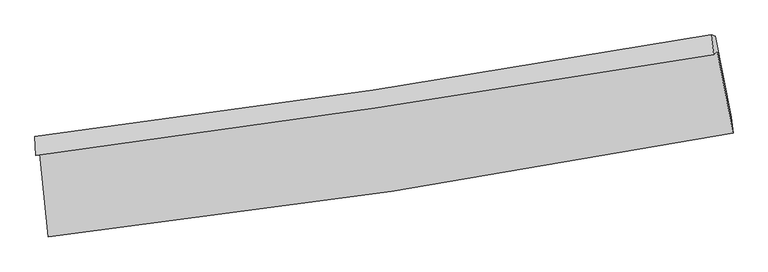
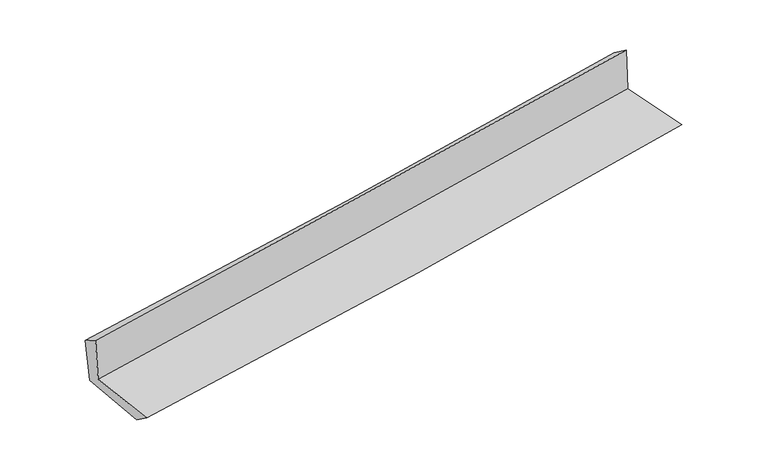
"""IFC4 building model written with IfcOpenShell, lengths in millimetres: proxy geometry."""

from ifc_helpers import new_model, si_unit, frame, origin, place, context, project, spatial, source, transform, mapped, element, save
from ifc_brep_helpers import plane_surface, spline_curve, spline_surface, advanced_brep


def generic_models_c3d49993(model_context):
    return source(origin(), model_context, "Body", "AdvancedBrep", [
        advanced_brep(
        [(-2749.2887023, -1893.4859947, 1636.8289609), (-2679.7101182, -2561.4391441, 1631.4044562), (2826.9514435, -1725.1239616, 2112.1885254), (2699.7579066, -1065.6464667, 2112.8927144), (-2780.8299091, -1906.6238237, 2043.6719549), (2671.1252468, -1094.3218586, 2524.3363268), (-2788.9660946, -1755.0714439, 1950.2988237), (2649.722869, -934.6341881, 2411.330875), (-2755.5642787, -1765.0141938, 1549.9906265), (2683.9769707, -944.0950719, 2020.7303192), (-2686.6241131, -2415.2847822, 1529.8274571), (2810.9551474, -1595.9519408, 2004.9254709)],
        [
            (0, 1),
            (1, 2, spline_curve(3, [(-2679.7101182, -2561.4391441, 1631.4044562), (-1758.985119526, -2458.093509886, 1723.118140922), (-840.105814303, -2336.799041215, 1809.012477836), (995.454052859, -2058.0857916, 1969.292794024), (1912.128601622, -1900.608532527, 2043.659813139), (2826.9514435, -1725.1239616, 2112.1885254)], [4, 2, 4], [0.0, 9.116998189889697, 18.248836003866487])),
            (2, 3),
            (3, 0, spline_curve(3, [(2699.7579066, -1065.6464667, 2112.8927144), (1793.546124175, -1225.961077062, 2045.300979228), (885.98266157, -1375.15206995, 1971.79606705), (-930.37059768, -1651.062455903, 1813.088946516), (-1839.156004738, -1777.817972212, 1727.905940908), (-2749.2887023, -1893.4859947, 1636.8289609)], [4, 2, 4], [0.0, 9.131837813976789, 18.248836003866487])),
            (4, 0),
            (3, 5),
            (5, 4, spline_curve(3, [(2671.1252468, -1094.3218586, 2524.3363268), (1763.56300923, -1246.848575239, 2454.272787781), (855.082095014, -1390.851884425, 2379.148970068), (-962.239273476, -1661.591526585, 2218.911079692), (-1871.076744681, -1788.355539436, 2133.813440244), (-2780.8299091, -1906.6238237, 2043.6719549)], [4, 2, 4], [0.0, 9.083901137370784, 18.153040549788837])),
            (6, 4),
            (5, 7),
            (7, 6, spline_curve(3, [(2649.722869, -934.6341881, 2411.330875), (1746.262578657, -1095.363951835, 2338.25137644), (840.938285172, -1244.144492976, 2263.259493624), (-971.96408928, -1517.584773723, 2109.575933074), (-1879.536116897, -1642.28331787, 2030.890465326), (-2788.9660946, -1755.0714439, 1950.2988237)], [4, 2, 4], [0.0, 9.073511199202366, 18.13227755754257])),
            (8, 6),
            (7, 9),
            (9, 8, spline_curve(3, [(2683.9769707, -944.0950719, 2020.7303192), (1780.081330672, -1104.842003482, 1949.225075272), (874.468399804, -1253.671342761, 1874.209393445), (-938.717593678, -1527.272348239, 1717.284762633), (-1846.285079152, -1652.082716604, 1635.387213496), (-2755.5642787, -1765.0141938, 1549.9906265)], [4, 2, 4], [0.0, 9.064038634590833, 18.1133478216391])),
            (10, 8),
            (9, 11),
            (11, 10, spline_curve(3, [(2810.9551474, -1595.9519408, 2004.9254709), (1897.794131794, -1766.938839211, 1932.320758278), (982.707910304, -1920.751592794, 1856.392004754), (-849.824762008, -2193.806768065, 1698.015205601), (-1767.264960582, -2313.104961329, 1615.577954337), (-2686.6241131, -2415.2847822, 1529.8274571)], [4, 2, 4], [0.0, 9.112977231220107, 18.211145487600717])),
            (1, 10),
            (11, 2),
        ],
        [
            spline_surface(3, 3, [[(-2749.2887023, -1893.4859947, 1636.8289609), (-1839.156004743, -1777.81797228, 1727.905940854), (-930.370597625, -1651.062455933, 1813.088946506), (885.982661515, -1375.15206992, 1971.79606706), (1793.546124027, -1225.961076944, 2045.300979223), (2699.7579066, -1065.6464667, 2112.8927144)], [(-2726.095840936, -2116.137044516, 1635.020792668), (-1812.432376327, -2004.576484786, 1726.310007522), (-900.282336551, -1879.641317739, 1811.730123635), (922.473125274, -1602.796643804, 1970.961642662), (1833.073616543, -1450.843562133, 2044.753923881), (2742.15575221, -1285.472298334, 2112.657984719)], [(-2702.902979564, -2338.788094284, 1633.212624432), (-1785.708747904, -2231.334997243, 1724.714074188), (-870.194075393, -2108.220179492, 1810.371300815), (958.963589117, -1830.441217634, 1970.127218314), (1872.60110913, -1675.72604732, 2044.206868581), (2784.55359789, -1505.298129966, 2112.423255081)], [(-2679.7101182, -2561.4391441, 1631.4044562), (-1758.985119488, -2458.093509749, 1723.118140857), (-840.105814319, -2336.799041298, 1809.012477945), (995.454052876, -2058.085791517, 1969.292793916), (1912.128601646, -1900.608532509, 2043.659813239), (2826.9514435, -1725.1239616, 2112.1885254)]], [4, 4], [4, 2, 4], [0.0, 2.26900153125688], [0.0, 9.116998189889697, 18.248836003866487]),
            spline_surface(3, 3, [[(-2780.8299091, -1906.6238237, 2043.6719549), (-1871.076744642, -1788.355539298, 2133.813440167), (-962.23927356, -1661.591526723, 2218.911079741), (855.082095099, -1390.851884287, 2379.14897002), (1763.563009301, -1246.848575214, 2454.272787733), (2671.1252468, -1094.3218586, 2524.3363268)], [(-2770.316173481, -1902.244547354, 1908.057623563), (-1860.43649799, -1784.843016946, 1998.510940392), (-951.616381581, -1658.081836466, 2083.637035336), (865.382283905, -1385.618612838, 2243.36466904), (1773.557380889, -1239.886075799, 2317.948851562), (2680.669466746, -1084.763394641, 2387.188455999)], [(-2759.802437919, -1897.865271046, 1772.443292237), (-1849.796251395, -1781.330494632, 1863.208440629), (-940.993489604, -1654.57214619, 1948.36299091), (875.682472708, -1380.385341369, 2107.58036804), (1783.551752439, -1232.923576359, 2181.624915394), (2690.213686654, -1075.204930659, 2250.040585201)], [(-2749.2887023, -1893.4859947, 1636.8289609), (-1839.156004743, -1777.81797228, 1727.905940854), (-930.370597625, -1651.062455933, 1813.088946506), (885.982661515, -1375.15206992, 1971.79606706), (1793.546124027, -1225.961076944, 2045.300979223), (2699.7579066, -1065.6464667, 2112.8927144)]], [4, 4], [4, 2, 4], [0.0, 1.3386127008833646], [0.0, 9.069139412418053, 18.153040549788837]),
            spline_surface(3, 3, [[(-2788.9660946, -1755.0714439, 1950.2988237), (-1879.536116929, -1642.28331782, 2030.890465178), (-971.964089276, -1517.584773769, 2109.575932961), (840.938285168, -1244.14449293, 2263.259493737), (1746.26257872, -1095.363951723, 2338.251376424), (2649.722869, -934.6341881, 2411.330875)], [(-2786.254032794, -1805.58890384, 1981.423200771), (-1876.716326195, -1690.97405832, 2065.198123512), (-968.722484013, -1565.587024739, 2146.020981897), (845.652888503, -1293.046956701, 2301.889319174), (1752.029388895, -1145.858826205, 2376.925180223), (2656.856994915, -987.863411585, 2448.999358963)], [(-2783.541970906, -1856.10636376, 2012.547577829), (-1873.896535377, -1739.664798799, 2099.505781832), (-965.480878823, -1613.589275753, 2182.466030805), (850.367491764, -1341.949420516, 2340.519144583), (1757.796199126, -1196.353700732, 2415.598983933), (2663.991120885, -1041.092635115, 2486.667842837)], [(-2780.8299091, -1906.6238237, 2043.6719549), (-1871.076744642, -1788.355539298, 2133.813440167), (-962.23927356, -1661.591526723, 2218.911079741), (855.082095099, -1390.851884287, 2379.14897002), (1763.563009301, -1246.848575214, 2454.272787733), (2671.1252468, -1094.3218586, 2524.3363268)]], [4, 4], [4, 2, 4], [0.0, 0.6045526343486308], [0.0, 9.058766358340202, 18.13227755754257]),
            spline_surface(3, 3, [[(-2755.5642787, -1765.0141938, 1549.9906265), (-1846.285079119, -1652.08271649, 1635.387213461), (-938.71759357, -1527.272348294, 1717.284762612), (874.468399696, -1253.671342706, 1874.209393465), (1780.081330627, -1104.842003609, 1949.225075209), (2683.9769707, -944.0950719, 2020.7303192)], [(-2766.698217324, -1761.699943844, 1683.426692244), (-1857.36875838, -1648.816250277, 1767.221630711), (-949.799758832, -1524.04315679, 1848.048486074), (863.291694827, -1250.495726119, 2003.892760234), (1768.808413339, -1101.68265299, 2078.900508938), (2672.558936814, -940.941443976, 2150.930504457)], [(-2777.832155976, -1758.385693856, 1816.862757956), (-1868.452437668, -1645.549784033, 1899.056047928), (-960.881924015, -1520.813965272, 1978.8122095), (852.114990037, -1247.320109517, 2133.576126968), (1757.535496008, -1098.523302343, 2208.575942695), (2661.140902886, -937.787816024, 2281.130689743)], [(-2788.9660946, -1755.0714439, 1950.2988237), (-1879.536116929, -1642.28331782, 2030.890465178), (-971.964089276, -1517.584773769, 2109.575932961), (840.938285168, -1244.14449293, 2263.259493737), (1746.26257872, -1095.363951723, 2338.251376424), (2649.722869, -934.6341881, 2411.330875)]], [4, 4], [4, 2, 4], [0.0, 1.2867777751108793], [0.0, 9.049309187048266, 18.1133478216391]),
            spline_surface(3, 3, [[(-2686.6241131, -2415.2847822, 1529.8274571), (-1767.264960566, -2313.104961305, 1615.577954431), (-849.824761945, -2193.80676796, 1698.015205559), (982.707910241, -1920.7515929, 1856.392004796), (1897.794131745, -1766.938839115, 1932.320758267), (2810.9551474, -1595.9519408, 2004.9254709)], [(-2709.604168277, -2198.52791939, 1536.548513576), (-1793.605000061, -2092.764213024, 1622.181040784), (-879.455705812, -1971.628628054, 1704.438391224), (946.628073401, -1698.391509484, 1862.331134333), (1858.556531367, -1546.239893935, 1937.955530593), (2768.629088495, -1378.666317822, 2010.193753678)], [(-2732.584223523, -1981.77105661, 1543.269570024), (-1819.945039624, -1872.423464771, 1628.784127108), (-909.086649703, -1749.4504882, 1710.861576947), (910.548236536, -1476.031426122, 1868.270263928), (1819.318931005, -1325.540948789, 1943.590302884), (2726.303029605, -1161.380694878, 2015.462036422)], [(-2755.5642787, -1765.0141938, 1549.9906265), (-1846.285079119, -1652.08271649, 1635.387213461), (-938.71759357, -1527.272348294, 1717.284762612), (874.468399696, -1253.671342706, 1874.209393465), (1780.081330627, -1104.842003609, 1949.225075209), (2683.9769707, -944.0950719, 2020.7303192)]], [4, 4], [4, 2, 4], [0.0, 2.2123051739324033], [0.0, 9.09816825638061, 18.211145487600717]),
            spline_surface(3, 3, [[(-2679.7101182, -2561.4391441, 1631.4044562), (-1758.985119488, -2458.093509749, 1723.118140857), (-840.105814319, -2336.799041298, 1809.012477945), (995.454052876, -2058.085791517, 1969.292793916), (1912.128601646, -1900.608532509, 2043.659813239), (2826.9514435, -1725.1239616, 2112.1885254)], [(-2682.014783187, -2512.721023456, 1597.545456478), (-1761.745066534, -2409.76399359, 1687.271412026), (-843.345463507, -2289.134950189, 1772.013387157), (991.205338685, -2012.307725314, 1931.65919755), (1907.350445033, -1856.051968052, 2006.546794899), (2821.61934482, -1682.066621341, 2076.434173884)], [(-2684.319448113, -2464.002902844, 1563.686456822), (-1764.50501352, -2361.434477464, 1651.424683262), (-846.585112757, -2241.47085907, 1735.014296346), (986.956624432, -1966.529659102, 1894.025601161), (1902.572288359, -1811.495403572, 1969.433776608), (2816.28724608, -1639.009281059, 2040.679822416)], [(-2686.6241131, -2415.2847822, 1529.8274571), (-1767.264960566, -2313.104961305, 1615.577954431), (-849.824761945, -2193.80676796, 1698.015205559), (982.707910241, -1920.7515929, 1856.392004796), (1897.794131745, -1766.938839115, 1932.320758267), (2810.9551474, -1595.9519408, 2004.9254709)]], [4, 4], [4, 2, 4], [0.0, 0.5896719797030003], [0.0, 9.155588554105568, 18.32607954535209]),
            plane_surface(frame((2723.748264, -1226.6289146, 2197.7340386), z_axis=(0.9786731241006213, 0.18867008735236734, 0.08125585702938667), x_axis=(-0.08733528439531622, 0.024121752865977703, 0.9958868857145685))),
            plane_surface(frame((-2740.1638693, -2049.4865638, 1723.6703799), z_axis=(-0.991482965428768, -0.10262851714057135, -0.08018052590313936), x_axis=(-0.10360289758585632, 0.9945859438899444, 0.008077117577647962))),
        ],
        [
            (0, [[1, 2, 3, 4]]),
            (1, [[5, -4, 6, 7]]),
            (2, [[8, -7, 9, 10]]),
            (3, [[11, -10, 12, 13]]),
            (4, [[14, -13, 15, 16]]),
            (5, [[17, -16, 18, -2]]),
            (6, [[-12, -9, -6, -3, -18, -15]]),
            (7, [[-1, -5, -8, -11, -14, -17]]),
        ],
    ),
    ])


if __name__ == "__main__":
    model = new_model("IFC4")
    model_context = context("Model", 3, world=origin())
    ifc_project = project(units=[si_unit("LENGTHUNIT", "METRE", prefix="MILLI")], contexts=[model_context])
    site = spatial("IfcSite", under=ifc_project)
    building = spatial("IfcBuilding", under=site)
    placement = place(None, origin())
    generic_models_shape = generic_models_c3d49993(model_context)
    element("IfcBuildingElementProxy", 1, Name="Generic Models", at=placement, inside=building, context=model_context, shape_type="MappedRepresentation", body=[
        mapped(generic_models_shape, transform((0.0, 0.0, 0.0), x_axis=(1.0, 0.0, 0.0), y_axis=(0.0, 1.0, 0.0), z_axis=(0.0, 0.0, 1.0))),
    ])
    save(model, "model.ifc")
